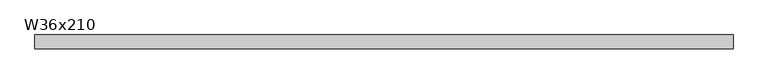
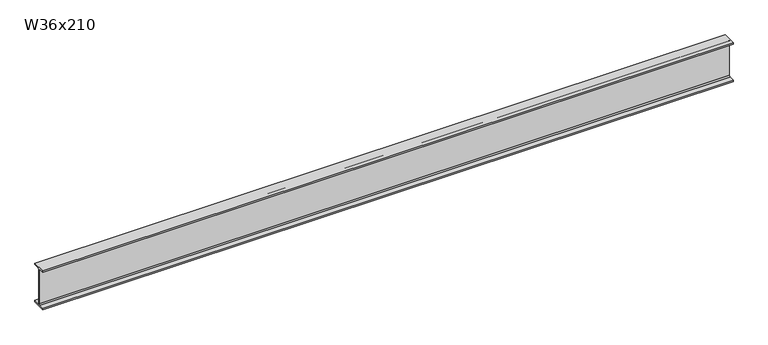
"""IFC4 building model written with IfcOpenShell, lengths in millimetres: beam geometry, W36x210."""

from ifc_helpers import new_model, si_unit, point, frame, frame_2d, origin, place, context, project, spatial, polyline, circle_curve, trimmed, segment, composite_curve, outline, extrude, source, transform, mapped, element, save


def w36x210_e177d28b(model_context):
    return source(origin(), model_context, "Body", "SweptSolid", [
        extrude(outline(composite_curve([segment(polyline([(154.94, -431.546), (154.94, -466.09), (-154.94, -466.09), (-154.94, -431.546), (-34.7345, -431.546)]), True, "CONTINUOUS"), segment(trimmed(circle_curve(frame_2d((-34.7345, -407.3525)), 24.1935), [point((-34.7345, -431.546))], [point((-10.541, -407.3525))], True, "CARTESIAN"), True, "CONTINUOUS"), segment(polyline([(-10.541, -407.3525), (-10.541, 407.3525)]), True, "CONTINUOUS"), segment(trimmed(circle_curve(frame_2d((-34.7345, 407.3525)), 24.1935), [point((-10.541, 407.3525))], [point((-34.7345, 431.546))], True, "CARTESIAN"), True, "CONTINUOUS"), segment(polyline([(-34.7345, 431.546), (-154.94, 431.546), (-154.94, 466.09), (154.94, 466.09), (154.94, 431.546), (34.7345, 431.546)]), True, "CONTINUOUS"), segment(trimmed(circle_curve(frame_2d((34.7345, 407.3525)), 24.1935), [point((34.7345, 431.546))], [point((10.541, 407.3525))], True, "CARTESIAN"), True, "CONTINUOUS"), segment(polyline([(10.541, 407.3525), (10.541, -407.3525)]), True, "CONTINUOUS"), segment(trimmed(circle_curve(frame_2d((34.7345, -407.3525)), 24.1935), [point((10.541, -407.3525))], [point((34.7345, -431.546))], True, "CARTESIAN"), True, "CONTINUOUS"), segment(polyline([(34.7345, -431.546), (154.94, -431.546)]), True, "CONTINUOUS")], self_intersect=False)), frame((-7877.0363941, 0.0, 0.0), z_axis=(1.0, 0.0, 0.0), x_axis=(0.0, 1.0, 0.0)), (0.0, 0.0, 1.0), 15688.6677883),
    ])


if __name__ == "__main__":
    model = new_model("IFC4")
    model_context = context("Model", 3, world=origin())
    ifc_project = project(units=[si_unit("LENGTHUNIT", "METRE", prefix="MILLI")], contexts=[model_context])
    site = spatial("IfcSite", under=ifc_project)
    building = spatial("IfcBuilding", under=site)
    placement = place(None, origin())
    w36x210_shape = w36x210_e177d28b(model_context)
    element("IfcBeam", 1, ObjectType="W36x210", at=placement, inside=building, context=model_context, shape_type="MappedRepresentation", body=[
        mapped(w36x210_shape, transform((0.0, 0.0, 0.0), x_axis=(1.0, 0.0, 0.0), y_axis=(0.0, 1.0, 0.0), z_axis=(0.0, 0.0, 1.0))),
    ])
    save(model, "model.ifc")
